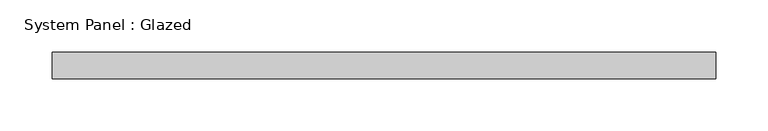
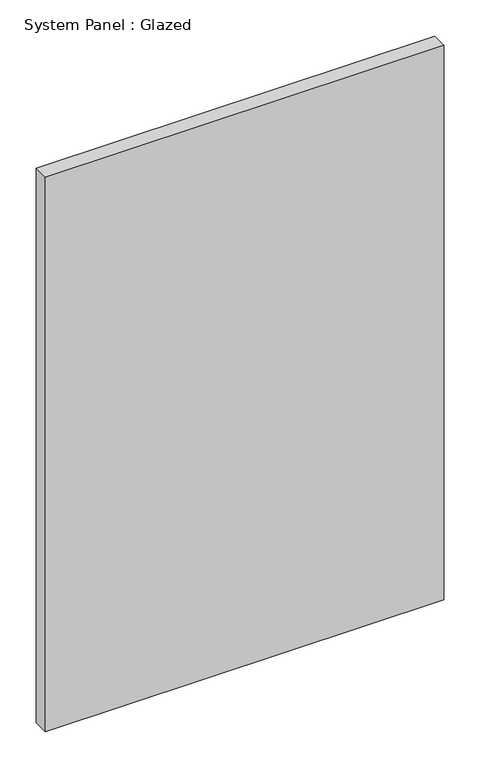
"""IFC4 building model written with IfcOpenShell, lengths in millimetres: plate geometry, System Panel : Glazed."""

from ifc_helpers import new_model, si_unit, origin, origin_with_axes, place, context, project, spatial, polyline, outline, extrude, source, transform, mapped, element, save


def system_panel_glazed_e26194c3(model_context):
    return source(origin(), model_context, "Body", "SweptSolid", [
        extrude(outline(polyline([(318.25, 19.05), (-318.25, 19.05), (-318.25, 44.45), (318.25, 44.45), (318.25, 19.05)])), origin_with_axes(), (0.0, 0.0, 1.0), 936.5),
    ])


if __name__ == "__main__":
    model = new_model("IFC4")
    model_context = context("Model", 3, world=origin())
    ifc_project = project(units=[si_unit("LENGTHUNIT", "METRE", prefix="MILLI")], contexts=[model_context])
    site = spatial("IfcSite", under=ifc_project)
    building = spatial("IfcBuilding", under=site)
    placement = place(None, origin())
    system_panel_glazed_shape = system_panel_glazed_e26194c3(model_context)
    element("IfcPlate", 1, ObjectType="System Panel : Glazed", at=placement, inside=building, context=model_context, shape_type="MappedRepresentation", body=[
        mapped(system_panel_glazed_shape, transform((0.0, 0.0, 0.0), x_axis=(1.0, 0.0, 0.0), y_axis=(0.0, 1.0, 0.0), z_axis=(0.0, 0.0, 1.0))),
    ])
    save(model, "model.ifc")
